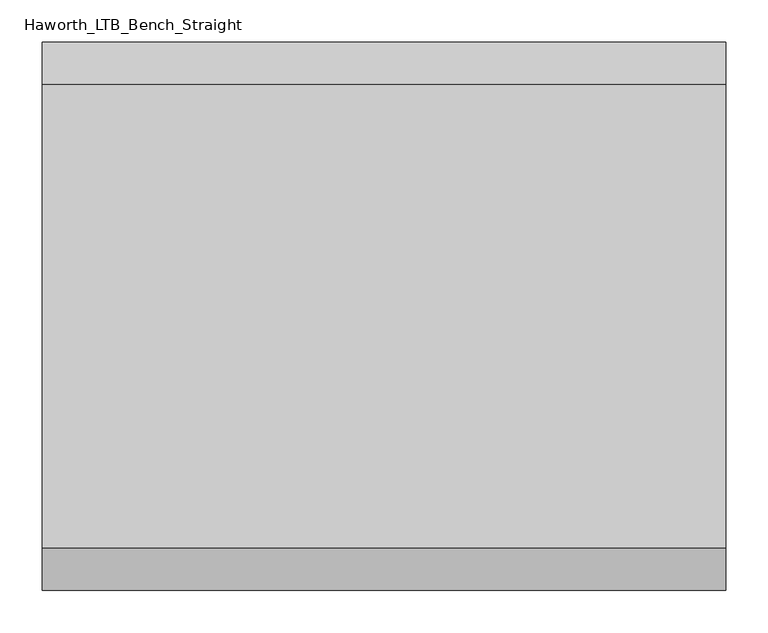
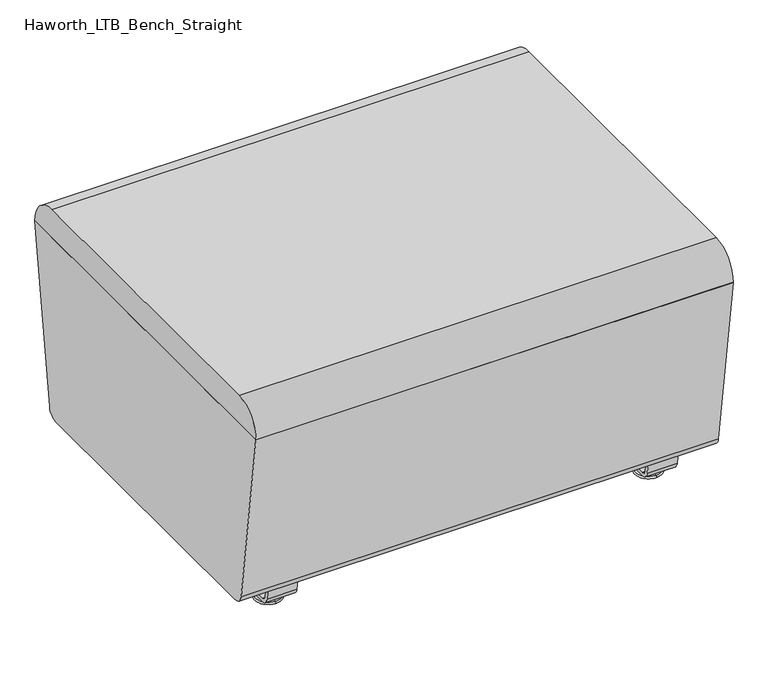
"""IFC4 building model written with IfcOpenShell, lengths in millimetres: furniture geometry, Haworth_LTB_Bench_Straight."""

from ifc_helpers import new_model, si_unit, point, frame, frame_2d, origin, place, context, project, spatial, polyline, circle_curve, ellipse_curve, trimmed, segment, composite_curve, outline, extrude, source, transform, mapped, element, save
from ifc_brep_helpers import plane_surface, cylinder_surface, revolved_surface, advanced_brep


def haworth_ltb_bench_straight_87801f86(model_context):
    return source(origin(), model_context, "Body", "SolidModel", [
        advanced_brep(
        [(323.9045358, -211.0425052, 7.8133431), (323.9045358, -227.0355515, 7.8133431), (323.9045358, -223.8015284, 7.8133431), (323.9045358, -214.2765284, 7.8133431), (323.9045358, -197.1001513, 4.0775), (323.9045358, -240.9779054, 4.0775), (323.9045358, -197.5107026, 0.0), (323.9045358, -240.5673542, 0.0), (323.9045358, -219.0390284, 0.0), (323.9045358, -214.2765284, 50.0000004), (323.9045358, -223.8015284, 50.0000004), (323.9045358, -219.0390284, 50.0000004)],
        [
            (0, 1, circle_curve(frame((323.9045358, -219.0390284, 7.8133431), z_axis=(0.0, 0.0, 1.0), x_axis=(0.0, -1.0, 0.0)), 7.9965232)),
            (1, 2),
            (2, 3, circle_curve(frame((323.9045358, -219.0390284, 7.8133431), z_axis=(0.0, 0.0, -1.0), x_axis=(0.0, -1.0, 0.0)), 4.7625)),
            (3, 0),
            (1, 0, circle_curve(frame((323.9045358, -219.0390284, 7.8133431), z_axis=(0.0, 0.0, 1.0), x_axis=(0.0, -1.0, 0.0)), 7.9965232)),
            (3, 2, circle_curve(frame((323.9045358, -219.0390284, 7.8133431), z_axis=(0.0, 0.0, -1.0), x_axis=(0.0, -1.0, 0.0)), 4.7625)),
            (4, 5, circle_curve(frame((323.9045358, -219.0390284, 4.0775), z_axis=(0.0, 0.0, 1.0), x_axis=(0.0, -1.0, 0.0)), 21.9388771)),
            (5, 1),
            (0, 4),
            (5, 4, circle_curve(frame((323.9045358, -219.0390284, 4.0775), z_axis=(0.0, 0.0, 1.0), x_axis=(0.0, -1.0, 0.0)), 21.9388771)),
            (6, 7, circle_curve(frame((323.9045358, -219.0390284, 0.0), z_axis=(0.0, 0.0, 1.0), x_axis=(0.0, -1.0, 0.0)), 21.5283258)),
            (7, 5, circle_curve(frame((323.9045358, -240.4405822, 2.0721829), z_axis=(-1.0, 0.0, 0.0), x_axis=(0.0, 1.0, 0.0)), 2.0760571)),
            (4, 6, circle_curve(frame((323.9045358, -197.6374745, 2.0721829), z_axis=(-1.0, 0.0, 0.0), x_axis=(0.0, -1.0, 0.0)), 2.0760571)),
            (7, 6, circle_curve(frame((323.9045358, -219.0390284, 0.0), z_axis=(0.0, 0.0, 1.0), x_axis=(0.0, -1.0, 0.0)), 21.5283258)),
            (8, 7),
            (6, 8),
            (9, 10, circle_curve(frame((323.9045358, -219.0390284, 50.0000004), z_axis=(0.0, 0.0, 1.0), x_axis=(0.0, -1.0, 0.0)), 4.7625)),
            (10, 11),
            (11, 9),
            (10, 9, circle_curve(frame((323.9045358, -219.0390284, 50.0000004), z_axis=(0.0, 0.0, 1.0), x_axis=(0.0, -1.0, 0.0)), 4.7625)),
            (2, 10),
            (9, 3),
        ],
        [
            plane_surface(frame((323.9045358, -219.0390284, 7.8133431), z_axis=(0.0, 0.0, 1.0), x_axis=(0.0, -1.0, 0.0))),
            revolved_surface(polyline([(323.9045358, -227.0355515, 7.8133431), (323.9045358, -240.9779054, 4.0775)]), (323.9045358, -219.0390284, 0.0), (0.0, 0.0, -1.0)),
            revolved_surface(trimmed(ellipse_curve(frame((323.9045358, -240.4405822, 2.0721829), z_axis=(1.0, 0.0, 0.0), x_axis=(0.0, 1.0, 0.0)), 2.0760571, 2.0760571), [point((323.9045358, -240.9779054, 4.0775))], [point((323.9045358, -240.5673542, 0.0))], True, "CARTESIAN"), (323.9045358, -219.0390284, 0.0), (0.0, 0.0, -1.0)),
            plane_surface(frame((323.9045358, -219.0390284, 0.0), z_axis=(0.0, 0.0, -1.0), x_axis=(0.0, -1.0, 0.0))),
            plane_surface(frame((323.9045358, -219.0390284, 50.0000004), z_axis=(0.0, 0.0, 1.0), x_axis=(0.0, -1.0, 0.0))),
            cylinder_surface(frame((323.9045358, -219.0390284, 0.0), z_axis=(0.0, 0.0, -1.0), x_axis=(0.0, -1.0, 0.0)), 4.7625),
        ],
        [
            (0, [[1, 2, 3, 4]]),
            (0, [[5, -4, 6, -2]]),
            (1, [[7, 8, -1, 9]]),
            (1, [[10, -9, -5, -8]]),
            (2, [[11, 12, -7, 13]]),
            (2, [[14, -13, -10, -12]]),
            (3, [[15, -11, 16]]),
            (3, [[-16, -14, -15]]),
            (4, [[17, 18, 19]]),
            (4, [[20, -19, -18]]),
            (5, [[-3, 21, -17, 22]]),
            (5, [[-6, -22, -20, -21]]),
        ],
    ),
        advanced_brep(
        [(323.9045358, 214.2765284, 7.8133431), (323.9045358, 223.8015284, 7.8133431), (323.9045358, 227.0355515, 7.8133431), (323.9045358, 211.0425052, 7.8133431), (323.9045358, 240.9779054, 4.0775), (323.9045358, 197.1001513, 4.0775), (323.9045358, 240.5673542, 0.0), (323.9045358, 197.5107026, 0.0), (323.9045358, 219.0390284, 0.0), (323.9045358, 219.0390284, 50.0000004), (323.9045358, 223.8015284, 50.0000004), (323.9045358, 214.2765284, 50.0000004)],
        [
            (0, 1, circle_curve(frame((323.9045358, 219.0390284, 7.8133431), z_axis=(0.0, 0.0, -1.0), x_axis=(0.0, 1.0, 0.0)), 4.7625)),
            (1, 2),
            (2, 3, circle_curve(frame((323.9045358, 219.0390284, 7.8133431), z_axis=(0.0, 0.0, 1.0), x_axis=(0.0, 1.0, 0.0)), 7.9965232)),
            (3, 0),
            (1, 0, circle_curve(frame((323.9045358, 219.0390284, 7.8133431), z_axis=(0.0, 0.0, -1.0), x_axis=(0.0, 1.0, 0.0)), 4.7625)),
            (3, 2, circle_curve(frame((323.9045358, 219.0390284, 7.8133431), z_axis=(0.0, 0.0, 1.0), x_axis=(0.0, 1.0, 0.0)), 7.9965232)),
            (2, 4),
            (4, 5, circle_curve(frame((323.9045358, 219.0390284, 4.0775), z_axis=(0.0, 0.0, 1.0), x_axis=(0.0, 1.0, 0.0)), 21.9388771)),
            (5, 3),
            (5, 4, circle_curve(frame((323.9045358, 219.0390284, 4.0775), z_axis=(0.0, 0.0, 1.0), x_axis=(0.0, 1.0, 0.0)), 21.9388771)),
            (4, 6, circle_curve(frame((323.9045358, 240.4405822, 2.0721829), z_axis=(-1.0, 0.0, 0.0), x_axis=(0.0, -1.0, 0.0)), 2.0760571)),
            (6, 7, circle_curve(frame((323.9045358, 219.0390284, 0.0), z_axis=(0.0, 0.0, 1.0), x_axis=(0.0, 1.0, 0.0)), 21.5283258)),
            (7, 5, circle_curve(frame((323.9045358, 197.6374745, 2.0721829), z_axis=(-1.0, 0.0, 0.0), x_axis=(0.0, 1.0, 0.0)), 2.0760571)),
            (7, 6, circle_curve(frame((323.9045358, 219.0390284, 0.0), z_axis=(0.0, 0.0, 1.0), x_axis=(0.0, 1.0, 0.0)), 21.5283258)),
            (6, 8),
            (8, 7),
            (9, 10),
            (10, 11, circle_curve(frame((323.9045358, 219.0390284, 50.0000004), z_axis=(0.0, 0.0, 1.0), x_axis=(0.0, 1.0, 0.0)), 4.7625)),
            (11, 9),
            (11, 10, circle_curve(frame((323.9045358, 219.0390284, 50.0000004), z_axis=(0.0, 0.0, 1.0), x_axis=(0.0, 1.0, 0.0)), 4.7625)),
            (10, 1),
            (0, 11),
        ],
        [
            plane_surface(frame((323.9045358, 219.0390284, 7.8133431), z_axis=(0.0, 0.0, 1.0), x_axis=(0.0, 1.0, 0.0))),
            revolved_surface(polyline([(323.9045358, 240.9779054, 4.0775), (323.9045358, 227.0355515, 7.8133431)]), (323.9045358, 219.0390284, 0.0), (0.0, 0.0, 1.0)),
            revolved_surface(trimmed(ellipse_curve(frame((323.9045358, 240.4405822, 2.0721829), z_axis=(1.0, 0.0, 0.0), x_axis=(0.0, -1.0, 0.0)), 2.0760571, 2.0760571), [point((323.9045358, 240.5673542, 0.0))], [point((323.9045358, 240.9779054, 4.0775))], True, "CARTESIAN"), (323.9045358, 219.0390284, 0.0), (0.0, 0.0, 1.0)),
            plane_surface(frame((323.9045358, 219.0390284, 0.0), z_axis=(0.0, 0.0, -1.0), x_axis=(0.0, 1.0, 0.0))),
            plane_surface(frame((323.9045358, 219.0390284, 50.0000004), z_axis=(0.0, 0.0, 1.0), x_axis=(0.0, 1.0, 0.0))),
            cylinder_surface(frame((323.9045358, 219.0390284, 0.0), z_axis=(0.0, 0.0, 1.0), x_axis=(0.0, 1.0, 0.0)), 4.7625),
        ],
        [
            (0, [[1, 2, 3, 4]]),
            (0, [[5, -4, 6, -2]]),
            (1, [[-3, 7, 8, 9]]),
            (1, [[-6, -9, 10, -7]]),
            (2, [[-8, 11, 12, 13]]),
            (2, [[-10, -13, 14, -11]]),
            (3, [[-12, 15, 16]]),
            (3, [[-14, -16, -15]]),
            (4, [[17, 18, 19]]),
            (4, [[-19, 20, -17]]),
            (5, [[-18, 21, -1, 22]]),
            (5, [[-20, -22, -5, -21]]),
        ],
    ),
        extrude(outline(composite_curve([segment(polyline([(264.8158944, 62.9950557), (259.8853496, 27.9124042)]), True, "CONTINUOUS"), segment(trimmed(circle_curve(frame_2d((245.0313276, 30.0000007)), 15.000001), [point((259.8853496, 27.9124042))], [point((245.0313276, 14.9999997))], False, "CARTESIAN"), True, "CONTINUOUS"), segment(polyline([(245.0313276, 14.9999997), (-245.0313276, 14.9999997)]), True, "CONTINUOUS"), segment(trimmed(circle_curve(frame_2d((-245.0313276, 30.0000007)), 15.000001), [point((-245.0313276, 14.9999997))], [point((-259.8853496, 27.9124042))], False, "CARTESIAN"), True, "CONTINUOUS"), segment(polyline([(-259.8853496, 27.9124042), (-264.8158944, 62.9950557), (-259.1812615, 63.7869505), (-254.2507241, 28.7043023)]), True, "CONTINUOUS"), segment(trimmed(circle_curve(frame_2d((-245.0313262, 30.0000023)), 9.310002), [point((-254.2507241, 28.7043023))], [point((-245.0313262, 20.6900003))], True, "CARTESIAN"), True, "CONTINUOUS"), segment(polyline([(-245.0313262, 20.6900003), (245.0313262, 20.6900003)]), True, "CONTINUOUS"), segment(trimmed(circle_curve(frame_2d((245.0313262, 30.0000023)), 9.310002), [point((245.0313262, 20.6900003))], [point((254.2507241, 28.7043023))], True, "CARTESIAN"), True, "CONTINUOUS"), segment(polyline([(254.2507241, 28.7043023), (259.1812615, 63.7869505), (264.8158944, 62.9950557)]), True, "CONTINUOUS")], self_intersect=False)), frame((298.5045358, 0.0, 0.0), z_axis=(1.0, 0.0, 0.0), x_axis=(0.0, 1.0, 0.0)), (0.0, 0.0, 1.0), 50.8),
        advanced_brep(
        [(-323.9045358, -214.2765284, 7.8133431), (-323.9045358, -223.8015284, 7.8133431), (-323.9045358, -227.0355515, 7.8133431), (-323.9045358, -211.0425052, 7.8133431), (-323.9045358, -240.9779054, 4.0775), (-323.9045358, -197.1001513, 4.0775), (-323.9045358, -240.5673542, 0.0), (-323.9045358, -197.5107026, 0.0), (-323.9045358, -219.0390284, 0.0), (-323.9045358, -219.0390284, 50.0000004), (-323.9045358, -223.8015284, 50.0000004), (-323.9045358, -214.2765284, 50.0000004)],
        [
            (0, 1, circle_curve(frame((-323.9045358, -219.0390284, 7.8133431), z_axis=(0.0, 0.0, -1.0), x_axis=(0.0, -1.0, 0.0)), 4.7625)),
            (1, 2),
            (2, 3, circle_curve(frame((-323.9045358, -219.0390284, 7.8133431), z_axis=(0.0, 0.0, 1.0), x_axis=(0.0, -1.0, 0.0)), 7.9965232)),
            (3, 0),
            (1, 0, circle_curve(frame((-323.9045358, -219.0390284, 7.8133431), z_axis=(0.0, 0.0, -1.0), x_axis=(0.0, -1.0, 0.0)), 4.7625)),
            (3, 2, circle_curve(frame((-323.9045358, -219.0390284, 7.8133431), z_axis=(0.0, 0.0, 1.0), x_axis=(0.0, -1.0, 0.0)), 7.9965232)),
            (2, 4),
            (4, 5, circle_curve(frame((-323.9045358, -219.0390284, 4.0775), z_axis=(0.0, 0.0, 1.0), x_axis=(0.0, -1.0, 0.0)), 21.9388771)),
            (5, 3),
            (5, 4, circle_curve(frame((-323.9045358, -219.0390284, 4.0775), z_axis=(0.0, 0.0, 1.0), x_axis=(0.0, -1.0, 0.0)), 21.9388771)),
            (4, 6, circle_curve(frame((-323.9045358, -240.4405822, 2.0721829), z_axis=(1.0, 0.0, 0.0), x_axis=(0.0, 1.0, 0.0)), 2.0760571)),
            (6, 7, circle_curve(frame((-323.9045358, -219.0390284, 0.0), z_axis=(0.0, 0.0, 1.0), x_axis=(0.0, -1.0, 0.0)), 21.5283258)),
            (7, 5, circle_curve(frame((-323.9045358, -197.6374745, 2.0721829), z_axis=(1.0, 0.0, 0.0), x_axis=(0.0, -1.0, 0.0)), 2.0760571)),
            (7, 6, circle_curve(frame((-323.9045358, -219.0390284, 0.0), z_axis=(0.0, 0.0, 1.0), x_axis=(0.0, -1.0, 0.0)), 21.5283258)),
            (6, 8),
            (8, 7),
            (9, 10),
            (10, 11, circle_curve(frame((-323.9045358, -219.0390284, 50.0000004), z_axis=(0.0, 0.0, 1.0), x_axis=(0.0, -1.0, 0.0)), 4.7625)),
            (11, 9),
            (11, 10, circle_curve(frame((-323.9045358, -219.0390284, 50.0000004), z_axis=(0.0, 0.0, 1.0), x_axis=(0.0, -1.0, 0.0)), 4.7625)),
            (10, 1),
            (0, 11),
        ],
        [
            plane_surface(frame((-323.9045358, -219.0390284, 7.8133431), z_axis=(0.0, 0.0, 1.0), x_axis=(0.0, -1.0, 0.0))),
            revolved_surface(polyline([(-323.9045358, -240.9779054, 4.0775), (-323.9045358, -227.0355515, 7.8133431)]), (-323.9045358, -219.0390284, 0.0), (0.0, 0.0, 1.0)),
            revolved_surface(trimmed(ellipse_curve(frame((-323.9045358, -240.4405822, 2.0721829), z_axis=(-1.0, 0.0, 0.0), x_axis=(0.0, 1.0, 0.0)), 2.0760571, 2.0760571), [point((-323.9045358, -240.5673542, 0.0))], [point((-323.9045358, -240.9779054, 4.0775))], True, "CARTESIAN"), (-323.9045358, -219.0390284, 0.0), (0.0, 0.0, 1.0)),
            plane_surface(frame((-323.9045358, -219.0390284, 0.0), z_axis=(0.0, 0.0, -1.0), x_axis=(0.0, -1.0, 0.0))),
            plane_surface(frame((-323.9045358, -219.0390284, 50.0000004), z_axis=(0.0, 0.0, 1.0), x_axis=(0.0, -1.0, 0.0))),
            cylinder_surface(frame((-323.9045358, -219.0390284, 0.0), z_axis=(0.0, 0.0, 1.0), x_axis=(0.0, -1.0, 0.0)), 4.7625),
        ],
        [
            (0, [[1, 2, 3, 4]]),
            (0, [[5, -4, 6, -2]]),
            (1, [[-3, 7, 8, 9]]),
            (1, [[-6, -9, 10, -7]]),
            (2, [[-8, 11, 12, 13]]),
            (2, [[-10, -13, 14, -11]]),
            (3, [[-12, 15, 16]]),
            (3, [[-14, -16, -15]]),
            (4, [[17, 18, 19]]),
            (4, [[-19, 20, -17]]),
            (5, [[-18, 21, -1, 22]]),
            (5, [[-20, -22, -5, -21]]),
        ],
    ),
        advanced_brep(
        [(-323.9045358, 211.0425052, 7.8133431), (-323.9045358, 227.0355515, 7.8133431), (-323.9045358, 223.8015284, 7.8133431), (-323.9045358, 214.2765284, 7.8133431), (-323.9045358, 197.1001513, 4.0775), (-323.9045358, 240.9779054, 4.0775), (-323.9045358, 197.5107026, 0.0), (-323.9045358, 240.5673542, 0.0), (-323.9045358, 219.0390284, 0.0), (-323.9045358, 214.2765284, 50.0000004), (-323.9045358, 223.8015284, 50.0000004), (-323.9045358, 219.0390284, 50.0000004)],
        [
            (0, 1, circle_curve(frame((-323.9045358, 219.0390284, 7.8133431), z_axis=(0.0, 0.0, 1.0), x_axis=(0.0, 1.0, 0.0)), 7.9965232)),
            (1, 2),
            (2, 3, circle_curve(frame((-323.9045358, 219.0390284, 7.8133431), z_axis=(0.0, 0.0, -1.0), x_axis=(0.0, 1.0, 0.0)), 4.7625)),
            (3, 0),
            (1, 0, circle_curve(frame((-323.9045358, 219.0390284, 7.8133431), z_axis=(0.0, 0.0, 1.0), x_axis=(0.0, 1.0, 0.0)), 7.9965232)),
            (3, 2, circle_curve(frame((-323.9045358, 219.0390284, 7.8133431), z_axis=(0.0, 0.0, -1.0), x_axis=(0.0, 1.0, 0.0)), 4.7625)),
            (4, 5, circle_curve(frame((-323.9045358, 219.0390284, 4.0775), z_axis=(0.0, 0.0, 1.0), x_axis=(0.0, 1.0, 0.0)), 21.9388771)),
            (5, 1),
            (0, 4),
            (5, 4, circle_curve(frame((-323.9045358, 219.0390284, 4.0775), z_axis=(0.0, 0.0, 1.0), x_axis=(0.0, 1.0, 0.0)), 21.9388771)),
            (6, 7, circle_curve(frame((-323.9045358, 219.0390284, 0.0), z_axis=(0.0, 0.0, 1.0), x_axis=(0.0, 1.0, 0.0)), 21.5283258)),
            (7, 5, circle_curve(frame((-323.9045358, 240.4405822, 2.0721829), z_axis=(1.0, 0.0, 0.0), x_axis=(0.0, -1.0, 0.0)), 2.0760571)),
            (4, 6, circle_curve(frame((-323.9045358, 197.6374745, 2.0721829), z_axis=(1.0, 0.0, 0.0), x_axis=(0.0, 1.0, 0.0)), 2.0760571)),
            (7, 6, circle_curve(frame((-323.9045358, 219.0390284, 0.0), z_axis=(0.0, 0.0, 1.0), x_axis=(0.0, 1.0, 0.0)), 21.5283258)),
            (8, 7),
            (6, 8),
            (9, 10, circle_curve(frame((-323.9045358, 219.0390284, 50.0000004), z_axis=(0.0, 0.0, 1.0), x_axis=(0.0, 1.0, 0.0)), 4.7625)),
            (10, 11),
            (11, 9),
            (10, 9, circle_curve(frame((-323.9045358, 219.0390284, 50.0000004), z_axis=(0.0, 0.0, 1.0), x_axis=(0.0, 1.0, 0.0)), 4.7625)),
            (2, 10),
            (9, 3),
        ],
        [
            plane_surface(frame((-323.9045358, 219.0390284, 7.8133431), z_axis=(0.0, 0.0, 1.0), x_axis=(0.0, 1.0, 0.0))),
            revolved_surface(polyline([(-323.9045358, 227.0355515, 7.8133431), (-323.9045358, 240.9779054, 4.0775)]), (-323.9045358, 219.0390284, 0.0), (0.0, 0.0, -1.0)),
            revolved_surface(trimmed(ellipse_curve(frame((-323.9045358, 240.4405822, 2.0721829), z_axis=(-1.0, 0.0, 0.0), x_axis=(0.0, -1.0, 0.0)), 2.0760571, 2.0760571), [point((-323.9045358, 240.9779054, 4.0775))], [point((-323.9045358, 240.5673542, 0.0))], True, "CARTESIAN"), (-323.9045358, 219.0390284, 0.0), (0.0, 0.0, -1.0)),
            plane_surface(frame((-323.9045358, 219.0390284, 0.0), z_axis=(0.0, 0.0, -1.0), x_axis=(0.0, 1.0, 0.0))),
            plane_surface(frame((-323.9045358, 219.0390284, 50.0000004), z_axis=(0.0, 0.0, 1.0), x_axis=(0.0, 1.0, 0.0))),
            cylinder_surface(frame((-323.9045358, 219.0390284, 0.0), z_axis=(0.0, 0.0, -1.0), x_axis=(0.0, 1.0, 0.0)), 4.7625),
        ],
        [
            (0, [[1, 2, 3, 4]]),
            (0, [[5, -4, 6, -2]]),
            (1, [[7, 8, -1, 9]]),
            (1, [[10, -9, -5, -8]]),
            (2, [[11, 12, -7, 13]]),
            (2, [[14, -13, -10, -12]]),
            (3, [[15, -11, 16]]),
            (3, [[-16, -14, -15]]),
            (4, [[17, 18, 19]]),
            (4, [[20, -19, -18]]),
            (5, [[-3, 21, -17, 22]]),
            (5, [[-6, -22, -20, -21]]),
        ],
    ),
        extrude(outline(composite_curve([segment(polyline([(264.8158944, 62.9950557), (259.8853496, 27.9124042)]), True, "CONTINUOUS"), segment(trimmed(circle_curve(frame_2d((245.0313276, 30.0000007)), 15.000001), [point((259.8853496, 27.9124042))], [point((245.0313276, 14.9999997))], False, "CARTESIAN"), True, "CONTINUOUS"), segment(polyline([(245.0313276, 14.9999997), (-245.0313276, 14.9999997)]), True, "CONTINUOUS"), segment(trimmed(circle_curve(frame_2d((-245.0313276, 30.0000007)), 15.000001), [point((-245.0313276, 14.9999997))], [point((-259.8853496, 27.9124042))], False, "CARTESIAN"), True, "CONTINUOUS"), segment(polyline([(-259.8853496, 27.9124042), (-264.8158944, 62.9950557), (-259.1812615, 63.7869505), (-254.2507241, 28.7043023)]), True, "CONTINUOUS"), segment(trimmed(circle_curve(frame_2d((-245.0313262, 30.0000023)), 9.310002), [point((-254.2507241, 28.7043023))], [point((-245.0313262, 20.6900003))], True, "CARTESIAN"), True, "CONTINUOUS"), segment(polyline([(-245.0313262, 20.6900003), (245.0313262, 20.6900003)]), True, "CONTINUOUS"), segment(trimmed(circle_curve(frame_2d((245.0313262, 30.0000023)), 9.310002), [point((245.0313262, 20.6900003))], [point((254.2507241, 28.7043023))], True, "CARTESIAN"), True, "CONTINUOUS"), segment(polyline([(254.2507241, 28.7043023), (259.1812615, 63.7869505), (264.8158944, 62.9950557)]), True, "CONTINUOUS")], self_intersect=False)), frame((-349.3045358, 0.0, 0.0), z_axis=(1.0, 0.0, 0.0), x_axis=(0.0, 1.0, 0.0)), (0.0, 0.0, 1.0), 50.8),
        extrude(outline(composite_curve([segment(trimmed(circle_curve(frame_2d((264.0390314, 68.9999996)), 18.9999992), [point((282.8541239, 66.3557108))], [point((264.0390314, 50.0000004))], False, "CARTESIAN"), True, "CONTINUOUS"), segment(polyline([(264.0390314, 50.0000004), (-264.0390314, 50.0000004)]), True, "CONTINUOUS"), segment(trimmed(circle_curve(frame_2d((-264.0390314, 68.9999996)), 18.9999992), [point((-264.0390314, 50.0000004))], [point((-282.8541239, 66.3557108))], False, "CARTESIAN"), True, "CONTINUOUS"), segment(polyline([(-282.8541239, 66.3557108), (-326.1820603, 374.65), (326.1820603, 374.65), (282.8541239, 66.3557108)]), True, "CONTINUOUS")], self_intersect=False)), frame((-406.4, 0.0, 0.0), z_axis=(1.0, 0.0, 0.0), x_axis=(0.0, 1.0, 0.0)), (0.0, 0.0, 1.0), 812.8),
        extrude(outline(composite_curve([segment(trimmed(circle_curve(frame_2d((276.2364582, 375.0527771)), 49.9472261), [point((276.2364583, 425.0000032))], [point((326.1820603, 374.65))], False, "CARTESIAN"), True, "CONTINUOUS"), segment(polyline([(326.1820603, 374.65), (-326.1820603, 374.65)]), True, "CONTINUOUS"), segment(trimmed(circle_curve(frame_2d((-276.2364582, 375.0527771)), 49.9472261), [point((-326.1820603, 374.65))], [point((-276.2364582, 425.0000032))], False, "CARTESIAN"), True, "CONTINUOUS"), segment(polyline([(-276.2364582, 425.0000032), (276.2364583, 425.0000032)]), True, "CONTINUOUS")], self_intersect=False)), frame((-406.4, 0.0, 0.0), z_axis=(1.0, 0.0, 0.0), x_axis=(0.0, 1.0, 0.0)), (0.0, 0.0, 1.0), 812.8),
    ])


if __name__ == "__main__":
    model = new_model("IFC4")
    model_context = context("Model", 3, world=origin())
    ifc_project = project(units=[si_unit("LENGTHUNIT", "METRE", prefix="MILLI")], contexts=[model_context])
    site = spatial("IfcSite", under=ifc_project)
    building = spatial("IfcBuilding", under=site)
    placement = place(None, origin())
    haworth_ltb_bench_straight_shape = haworth_ltb_bench_straight_87801f86(model_context)
    element("IfcFurniture", 1, ObjectType="Haworth_LTB_Bench_Straight", at=placement, inside=building, context=model_context, shape_type="MappedRepresentation", body=[
        mapped(haworth_ltb_bench_straight_shape, transform((0.0, 0.0, 0.0), x_axis=(1.0, 0.0, 0.0), y_axis=(0.0, 1.0, 0.0), z_axis=(0.0, 0.0, 1.0))),
    ])
    save(model, "model.ifc")
